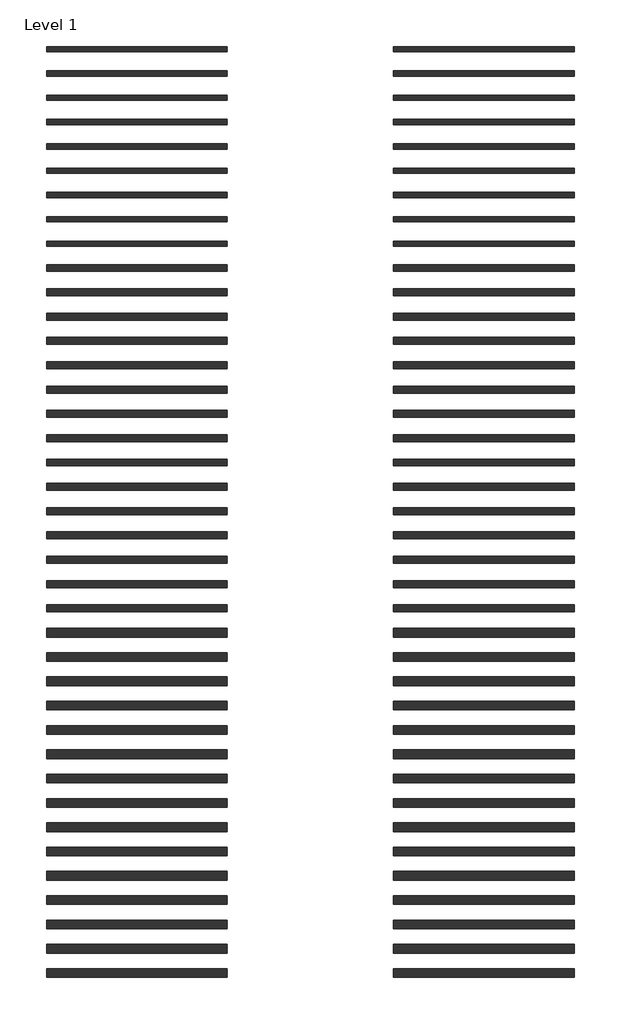
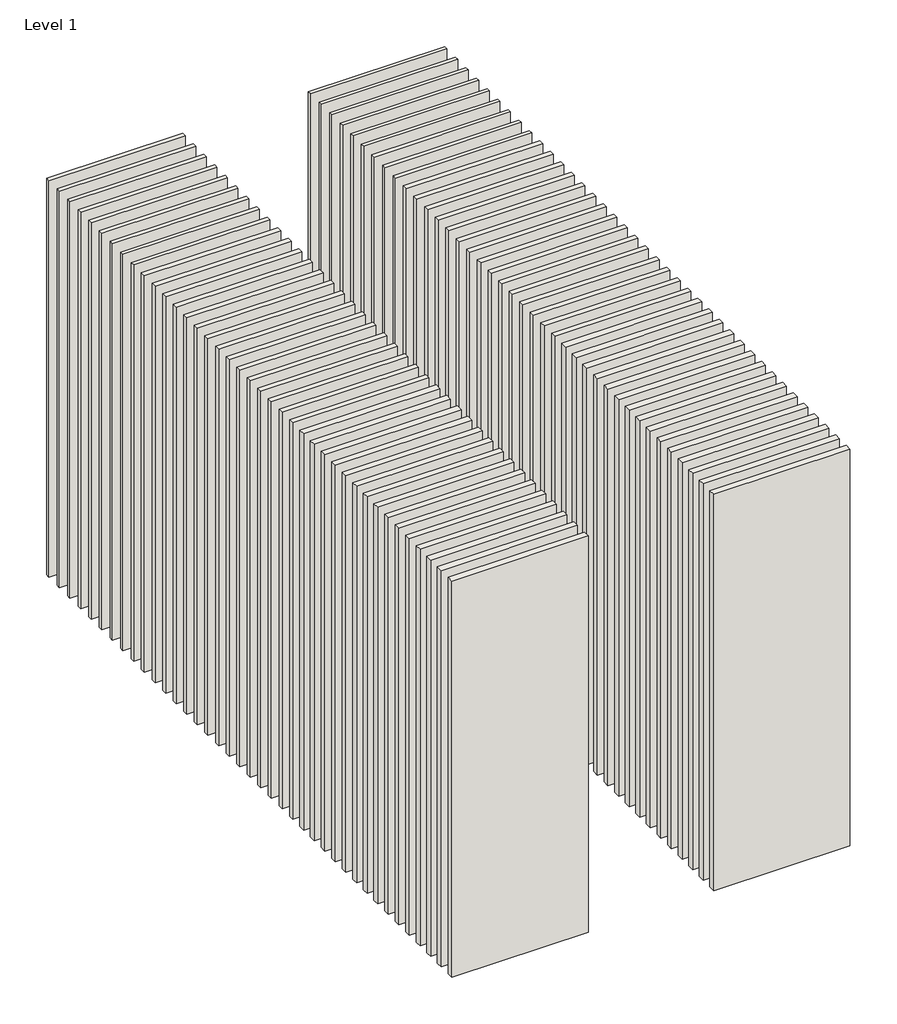
# One storey: 78 walls.
"""IFC4 building model written with IfcOpenShell, lengths in millimetres."""

from ifc_helpers import new_model, si_unit, origin, origin_with_axes, place, context, project, spatial, polyline, outline, extrude, element, save

model = new_model("IFC4")

# Units and contexts
model_context = context("Model", 3, world=origin())
ifc_project = project(units=[si_unit("LENGTHUNIT", "METRE", prefix="MILLI")], contexts=[model_context])

# Site, building, storey
site = spatial("IfcSite", under=ifc_project)
building = spatial("IfcBuilding", under=site)
storey = spatial("IfcBuildingStorey", under=building, Name="Level 1", Elevation=0.0)

# Walls
placement = place(None, origin())
element("IfcWall", 1, at=placement, inside=storey, context=model_context, shape_type="SweptSolid", body=[
    extrude(outline(polyline([(-16904.1464237, 3700.0198817), (-19504.1464237, 3700.0198817), (-19504.1464237, 3775.0198817), (-16904.1464237, 3775.0198817), (-16904.1464237, 3700.0198817)])), origin_with_axes(), (0.0, 0.0, 1.0), 8000.0),
])
element("IfcWall", 2, at=placement, inside=storey, context=model_context, shape_type="SweptSolid", body=[
    extrude(outline(polyline([(-16904.1464237, 3350.0198817), (-19504.1464237, 3350.0198817), (-19504.1464237, 3425.0198817), (-16904.1464237, 3425.0198817), (-16904.1464237, 3350.0198817)])), origin_with_axes(), (0.0, 0.0, 1.0), 8000.0),
])
element("IfcWall", 3, at=placement, inside=storey, context=model_context, shape_type="SweptSolid", body=[
    extrude(outline(polyline([(-16904.1464237, 3000.0198817), (-19504.1464237, 3000.0198817), (-19504.1464237, 3075.0198817), (-16904.1464237, 3075.0198817), (-16904.1464237, 3000.0198817)])), origin_with_axes(), (0.0, 0.0, 1.0), 8000.0),
])
element("IfcWall", 4, at=placement, inside=storey, context=model_context, shape_type="SweptSolid", body=[
    extrude(outline(polyline([(-16904.1464237, 2650.0198817), (-19504.1464237, 2650.0198817), (-19504.1464237, 2725.0198817), (-16904.1464237, 2725.0198817), (-16904.1464237, 2650.0198817)])), origin_with_axes(), (0.0, 0.0, 1.0), 8000.0),
])
element("IfcWall", 5, at=placement, inside=storey, context=model_context, shape_type="SweptSolid", body=[
    extrude(outline(polyline([(-16904.1464237, 2300.0198817), (-19504.1464237, 2300.0198817), (-19504.1464237, 2375.0198817), (-16904.1464237, 2375.0198817), (-16904.1464237, 2300.0198817)])), origin_with_axes(), (0.0, 0.0, 1.0), 8000.0),
])
element("IfcWall", 6, at=placement, inside=storey, context=model_context, shape_type="SweptSolid", body=[
    extrude(outline(polyline([(-16904.1464237, 1950.0198817), (-19504.1464237, 1950.0198817), (-19504.1464237, 2025.0198817), (-16904.1464237, 2025.0198817), (-16904.1464237, 1950.0198817)])), origin_with_axes(), (0.0, 0.0, 1.0), 8000.0),
])
element("IfcWall", 7, at=placement, inside=storey, context=model_context, shape_type="SweptSolid", body=[
    extrude(outline(polyline([(-16904.1464237, 1600.0198817), (-19504.1464237, 1600.0198817), (-19504.1464237, 1675.0198817), (-16904.1464237, 1675.0198817), (-16904.1464237, 1600.0198817)])), origin_with_axes(), (0.0, 0.0, 1.0), 8000.0),
])
element("IfcWall", 8, at=placement, inside=storey, context=model_context, shape_type="SweptSolid", body=[
    extrude(outline(polyline([(-16904.1464237, 1250.0198817), (-19504.1464237, 1250.0198817), (-19504.1464237, 1325.0198817), (-16904.1464237, 1325.0198817), (-16904.1464237, 1250.0198817)])), origin_with_axes(), (0.0, 0.0, 1.0), 8000.0),
])
element("IfcWall", 9, at=placement, inside=storey, context=model_context, shape_type="SweptSolid", body=[
    extrude(outline(polyline([(-16904.1464237, 900.0198817), (-19504.1464237, 900.0198817), (-19504.1464237, 975.0198817), (-16904.1464237, 975.0198817), (-16904.1464237, 900.0198817)])), origin_with_axes(), (0.0, 0.0, 1.0), 8000.0),
])
element("IfcWall", 10, at=placement, inside=storey, context=model_context, shape_type="SweptSolid", body=[
    extrude(outline(polyline([(-16904.1464237, 537.5198817), (-19504.1464237, 537.5198817), (-19504.1464237, 637.5198817), (-16904.1464237, 637.5198817), (-16904.1464237, 537.5198817)])), origin_with_axes(), (0.0, 0.0, 1.0), 8000.0),
])
element("IfcWall", 11, at=placement, inside=storey, context=model_context, shape_type="SweptSolid", body=[
    extrude(outline(polyline([(-16904.1464237, 187.5198817), (-19504.1464237, 187.5198817), (-19504.1464237, 287.5198817), (-16904.1464237, 287.5198817), (-16904.1464237, 187.5198817)])), origin_with_axes(), (0.0, 0.0, 1.0), 8000.0),
])
element("IfcWall", 12, at=placement, inside=storey, context=model_context, shape_type="SweptSolid", body=[
    extrude(outline(polyline([(-16904.1464237, -162.4801183), (-19504.1464237, -162.4801183), (-19504.1464237, -62.4801183), (-16904.1464237, -62.4801183), (-16904.1464237, -162.4801183)])), origin_with_axes(), (0.0, 0.0, 1.0), 8000.0),
])
element("IfcWall", 13, at=placement, inside=storey, context=model_context, shape_type="SweptSolid", body=[
    extrude(outline(polyline([(-16904.1464237, -512.4801183), (-19504.1464237, -512.4801183), (-19504.1464237, -412.4801183), (-16904.1464237, -412.4801183), (-16904.1464237, -512.4801183)])), origin_with_axes(), (0.0, 0.0, 1.0), 8000.0),
])
element("IfcWall", 14, at=placement, inside=storey, context=model_context, shape_type="SweptSolid", body=[
    extrude(outline(polyline([(-16904.1464237, -862.4801183), (-19504.1464237, -862.4801183), (-19504.1464237, -762.4801183), (-16904.1464237, -762.4801183), (-16904.1464237, -862.4801183)])), origin_with_axes(), (0.0, 0.0, 1.0), 8000.0),
])
element("IfcWall", 15, at=placement, inside=storey, context=model_context, shape_type="SweptSolid", body=[
    extrude(outline(polyline([(-16904.1464237, -1212.4801183), (-19504.1464237, -1212.4801183), (-19504.1464237, -1112.4801183), (-16904.1464237, -1112.4801183), (-16904.1464237, -1212.4801183)])), origin_with_axes(), (0.0, 0.0, 1.0), 8000.0),
])
element("IfcWall", 16, at=placement, inside=storey, context=model_context, shape_type="SweptSolid", body=[
    extrude(outline(polyline([(-16904.1464237, -1562.4801183), (-19504.1464237, -1562.4801183), (-19504.1464237, -1462.4801183), (-16904.1464237, -1462.4801183), (-16904.1464237, -1562.4801183)])), origin_with_axes(), (0.0, 0.0, 1.0), 8000.0),
])
element("IfcWall", 17, at=placement, inside=storey, context=model_context, shape_type="SweptSolid", body=[
    extrude(outline(polyline([(-16904.1464237, -1912.4801183), (-19504.1464237, -1912.4801183), (-19504.1464237, -1812.4801183), (-16904.1464237, -1812.4801183), (-16904.1464237, -1912.4801183)])), origin_with_axes(), (0.0, 0.0, 1.0), 8000.0),
])
element("IfcWall", 18, at=placement, inside=storey, context=model_context, shape_type="SweptSolid", body=[
    extrude(outline(polyline([(-16904.1464237, -2262.4801183), (-19504.1464237, -2262.4801183), (-19504.1464237, -2162.4801183), (-16904.1464237, -2162.4801183), (-16904.1464237, -2262.4801183)])), origin_with_axes(), (0.0, 0.0, 1.0), 8000.0),
])
element("IfcWall", 19, at=placement, inside=storey, context=model_context, shape_type="SweptSolid", body=[
    extrude(outline(polyline([(-16904.1464237, -2612.4801183), (-19504.1464237, -2612.4801183), (-19504.1464237, -2512.4801183), (-16904.1464237, -2512.4801183), (-16904.1464237, -2612.4801183)])), origin_with_axes(), (0.0, 0.0, 1.0), 8000.0),
])
element("IfcWall", 20, at=placement, inside=storey, context=model_context, shape_type="SweptSolid", body=[
    extrude(outline(polyline([(-16904.1464237, -2962.4801183), (-19504.1464237, -2962.4801183), (-19504.1464237, -2862.4801183), (-16904.1464237, -2862.4801183), (-16904.1464237, -2962.4801183)])), origin_with_axes(), (0.0, 0.0, 1.0), 8000.0),
])
element("IfcWall", 21, at=placement, inside=storey, context=model_context, shape_type="SweptSolid", body=[
    extrude(outline(polyline([(-16904.1464237, -3312.4801183), (-19504.1464237, -3312.4801183), (-19504.1464237, -3212.4801183), (-16904.1464237, -3212.4801183), (-16904.1464237, -3312.4801183)])), origin_with_axes(), (0.0, 0.0, 1.0), 8000.0),
])
element("IfcWall", 22, at=placement, inside=storey, context=model_context, shape_type="SweptSolid", body=[
    extrude(outline(polyline([(-16904.1464237, -3662.4801183), (-19504.1464237, -3662.4801183), (-19504.1464237, -3562.4801183), (-16904.1464237, -3562.4801183), (-16904.1464237, -3662.4801183)])), origin_with_axes(), (0.0, 0.0, 1.0), 8000.0),
])
element("IfcWall", 23, at=placement, inside=storey, context=model_context, shape_type="SweptSolid", body=[
    extrude(outline(polyline([(-16904.1464237, -4012.4801183), (-19504.1464237, -4012.4801183), (-19504.1464237, -3912.4801183), (-16904.1464237, -3912.4801183), (-16904.1464237, -4012.4801183)])), origin_with_axes(), (0.0, 0.0, 1.0), 8000.0),
])
element("IfcWall", 24, at=placement, inside=storey, context=model_context, shape_type="SweptSolid", body=[
    extrude(outline(polyline([(-16904.1464237, -4362.4801183), (-19504.1464237, -4362.4801183), (-19504.1464237, -4262.4801183), (-16904.1464237, -4262.4801183), (-16904.1464237, -4362.4801183)])), origin_with_axes(), (0.0, 0.0, 1.0), 8000.0),
])
element("IfcWall", 25, at=placement, inside=storey, context=model_context, shape_type="SweptSolid", body=[
    extrude(outline(polyline([(-16904.1464237, -4724.9801183), (-19504.1464237, -4724.9801183), (-19504.1464237, -4599.9801183), (-16904.1464237, -4599.9801183), (-16904.1464237, -4724.9801183)])), origin_with_axes(), (0.0, 0.0, 1.0), 8000.0),
])
element("IfcWall", 26, at=placement, inside=storey, context=model_context, shape_type="SweptSolid", body=[
    extrude(outline(polyline([(-16904.1464237, -5074.9801183), (-19504.1464237, -5074.9801183), (-19504.1464237, -4949.9801183), (-16904.1464237, -4949.9801183), (-16904.1464237, -5074.9801183)])), origin_with_axes(), (0.0, 0.0, 1.0), 8000.0),
])
element("IfcWall", 27, at=placement, inside=storey, context=model_context, shape_type="SweptSolid", body=[
    extrude(outline(polyline([(-16904.1464237, -5424.9801183), (-19504.1464237, -5424.9801183), (-19504.1464237, -5299.9801183), (-16904.1464237, -5299.9801183), (-16904.1464237, -5424.9801183)])), origin_with_axes(), (0.0, 0.0, 1.0), 8000.0),
])
element("IfcWall", 28, at=placement, inside=storey, context=model_context, shape_type="SweptSolid", body=[
    extrude(outline(polyline([(-16904.1464237, -5774.9801183), (-19504.1464237, -5774.9801183), (-19504.1464237, -5649.9801183), (-16904.1464237, -5649.9801183), (-16904.1464237, -5774.9801183)])), origin_with_axes(), (0.0, 0.0, 1.0), 8000.0),
])
element("IfcWall", 29, at=placement, inside=storey, context=model_context, shape_type="SweptSolid", body=[
    extrude(outline(polyline([(-16904.1464237, -6124.9801183), (-19504.1464237, -6124.9801183), (-19504.1464237, -5999.9801183), (-16904.1464237, -5999.9801183), (-16904.1464237, -6124.9801183)])), origin_with_axes(), (0.0, 0.0, 1.0), 8000.0),
])
element("IfcWall", 30, at=placement, inside=storey, context=model_context, shape_type="SweptSolid", body=[
    extrude(outline(polyline([(-16904.1464237, -6474.9801183), (-19504.1464237, -6474.9801183), (-19504.1464237, -6349.9801183), (-16904.1464237, -6349.9801183), (-16904.1464237, -6474.9801183)])), origin_with_axes(), (0.0, 0.0, 1.0), 8000.0),
])
element("IfcWall", 31, at=placement, inside=storey, context=model_context, shape_type="SweptSolid", body=[
    extrude(outline(polyline([(-16904.1464237, -6824.9801183), (-19504.1464237, -6824.9801183), (-19504.1464237, -6699.9801183), (-16904.1464237, -6699.9801183), (-16904.1464237, -6824.9801183)])), origin_with_axes(), (0.0, 0.0, 1.0), 8000.0),
])
element("IfcWall", 32, at=placement, inside=storey, context=model_context, shape_type="SweptSolid", body=[
    extrude(outline(polyline([(-16904.1464237, -7174.9801183), (-19504.1464237, -7174.9801183), (-19504.1464237, -7049.9801183), (-16904.1464237, -7049.9801183), (-16904.1464237, -7174.9801183)])), origin_with_axes(), (0.0, 0.0, 1.0), 8000.0),
])
element("IfcWall", 33, at=placement, inside=storey, context=model_context, shape_type="SweptSolid", body=[
    extrude(outline(polyline([(-16904.1464237, -7524.9801183), (-19504.1464237, -7524.9801183), (-19504.1464237, -7399.9801183), (-16904.1464237, -7399.9801183), (-16904.1464237, -7524.9801183)])), origin_with_axes(), (0.0, 0.0, 1.0), 8000.0),
])
element("IfcWall", 34, at=placement, inside=storey, context=model_context, shape_type="SweptSolid", body=[
    extrude(outline(polyline([(-16904.1464237, -7874.9801183), (-19504.1464237, -7874.9801183), (-19504.1464237, -7749.9801183), (-16904.1464237, -7749.9801183), (-16904.1464237, -7874.9801183)])), origin_with_axes(), (0.0, 0.0, 1.0), 8000.0),
])
element("IfcWall", 35, at=placement, inside=storey, context=model_context, shape_type="SweptSolid", body=[
    extrude(outline(polyline([(-16904.1464237, -8224.9801183), (-19504.1464237, -8224.9801183), (-19504.1464237, -8099.9801183), (-16904.1464237, -8099.9801183), (-16904.1464237, -8224.9801183)])), origin_with_axes(), (0.0, 0.0, 1.0), 8000.0),
])
element("IfcWall", 36, at=placement, inside=storey, context=model_context, shape_type="SweptSolid", body=[
    extrude(outline(polyline([(-16904.1464237, -8574.9801183), (-19504.1464237, -8574.9801183), (-19504.1464237, -8449.9801183), (-16904.1464237, -8449.9801183), (-16904.1464237, -8574.9801183)])), origin_with_axes(), (0.0, 0.0, 1.0), 8000.0),
])
element("IfcWall", 37, at=placement, inside=storey, context=model_context, shape_type="SweptSolid", body=[
    extrude(outline(polyline([(-16904.1464237, -8924.9801183), (-19504.1464237, -8924.9801183), (-19504.1464237, -8799.9801183), (-16904.1464237, -8799.9801183), (-16904.1464237, -8924.9801183)])), origin_with_axes(), (0.0, 0.0, 1.0), 8000.0),
])
element("IfcWall", 38, at=placement, inside=storey, context=model_context, shape_type="SweptSolid", body=[
    extrude(outline(polyline([(-16904.1464237, -9274.9801183), (-19504.1464237, -9274.9801183), (-19504.1464237, -9149.9801183), (-16904.1464237, -9149.9801183), (-16904.1464237, -9274.9801183)])), origin_with_axes(), (0.0, 0.0, 1.0), 8000.0),
])
element("IfcWall", 39, at=placement, inside=storey, context=model_context, shape_type="SweptSolid", body=[
    extrude(outline(polyline([(-16904.1464237, -9624.9801183), (-19504.1464237, -9624.9801183), (-19504.1464237, -9499.9801183), (-16904.1464237, -9499.9801183), (-16904.1464237, -9624.9801183)])), origin_with_axes(), (0.0, 0.0, 1.0), 8000.0),
])
element("IfcWall", 40, at=placement, inside=storey, context=model_context, shape_type="SweptSolid", body=[
    extrude(outline(polyline([(-11904.1464237, 3700.0198817), (-14504.1464237, 3700.0198817), (-14504.1464237, 3775.0198817), (-11904.1464237, 3775.0198817), (-11904.1464237, 3700.0198817)])), origin_with_axes(), (0.0, 0.0, 1.0), 8000.0),
])
element("IfcWall", 41, at=placement, inside=storey, context=model_context, shape_type="SweptSolid", body=[
    extrude(outline(polyline([(-11904.1464237, 3350.0198817), (-14504.1464237, 3350.0198817), (-14504.1464237, 3425.0198817), (-11904.1464237, 3425.0198817), (-11904.1464237, 3350.0198817)])), origin_with_axes(), (0.0, 0.0, 1.0), 8000.0),
])
element("IfcWall", 42, at=placement, inside=storey, context=model_context, shape_type="SweptSolid", body=[
    extrude(outline(polyline([(-11904.1464237, 3000.0198817), (-14504.1464237, 3000.0198817), (-14504.1464237, 3075.0198817), (-11904.1464237, 3075.0198817), (-11904.1464237, 3000.0198817)])), origin_with_axes(), (0.0, 0.0, 1.0), 8000.0),
])
element("IfcWall", 43, at=placement, inside=storey, context=model_context, shape_type="SweptSolid", body=[
    extrude(outline(polyline([(-11904.1464237, 2650.0198817), (-14504.1464237, 2650.0198817), (-14504.1464237, 2725.0198817), (-11904.1464237, 2725.0198817), (-11904.1464237, 2650.0198817)])), origin_with_axes(), (0.0, 0.0, 1.0), 8000.0),
])
element("IfcWall", 44, at=placement, inside=storey, context=model_context, shape_type="SweptSolid", body=[
    extrude(outline(polyline([(-11904.1464237, 2300.0198817), (-14504.1464237, 2300.0198817), (-14504.1464237, 2375.0198817), (-11904.1464237, 2375.0198817), (-11904.1464237, 2300.0198817)])), origin_with_axes(), (0.0, 0.0, 1.0), 8000.0),
])
element("IfcWall", 45, at=placement, inside=storey, context=model_context, shape_type="SweptSolid", body=[
    extrude(outline(polyline([(-11904.1464237, 1950.0198817), (-14504.1464237, 1950.0198817), (-14504.1464237, 2025.0198817), (-11904.1464237, 2025.0198817), (-11904.1464237, 1950.0198817)])), origin_with_axes(), (0.0, 0.0, 1.0), 8000.0),
])
element("IfcWall", 46, at=placement, inside=storey, context=model_context, shape_type="SweptSolid", body=[
    extrude(outline(polyline([(-11904.1464237, 1600.0198817), (-14504.1464237, 1600.0198817), (-14504.1464237, 1675.0198817), (-11904.1464237, 1675.0198817), (-11904.1464237, 1600.0198817)])), origin_with_axes(), (0.0, 0.0, 1.0), 8000.0),
])
element("IfcWall", 47, at=placement, inside=storey, context=model_context, shape_type="SweptSolid", body=[
    extrude(outline(polyline([(-11904.1464237, 1250.0198817), (-14504.1464237, 1250.0198817), (-14504.1464237, 1325.0198817), (-11904.1464237, 1325.0198817), (-11904.1464237, 1250.0198817)])), origin_with_axes(), (0.0, 0.0, 1.0), 8000.0),
])
element("IfcWall", 48, at=placement, inside=storey, context=model_context, shape_type="SweptSolid", body=[
    extrude(outline(polyline([(-11904.1464237, 900.0198817), (-14504.1464237, 900.0198817), (-14504.1464237, 975.0198817), (-11904.1464237, 975.0198817), (-11904.1464237, 900.0198817)])), origin_with_axes(), (0.0, 0.0, 1.0), 8000.0),
])
element("IfcWall", 49, at=placement, inside=storey, context=model_context, shape_type="SweptSolid", body=[
    extrude(outline(polyline([(-11904.1464237, 537.5198817), (-14504.1464237, 537.5198817), (-14504.1464237, 637.5198817), (-11904.1464237, 637.5198817), (-11904.1464237, 537.5198817)])), origin_with_axes(), (0.0, 0.0, 1.0), 8000.0),
])
element("IfcWall", 50, at=placement, inside=storey, context=model_context, shape_type="SweptSolid", body=[
    extrude(outline(polyline([(-11904.1464237, 187.5198817), (-14504.1464237, 187.5198817), (-14504.1464237, 287.5198817), (-11904.1464237, 287.5198817), (-11904.1464237, 187.5198817)])), origin_with_axes(), (0.0, 0.0, 1.0), 8000.0),
])
element("IfcWall", 51, at=placement, inside=storey, context=model_context, shape_type="SweptSolid", body=[
    extrude(outline(polyline([(-11904.1464237, -162.4801183), (-14504.1464237, -162.4801183), (-14504.1464237, -62.4801183), (-11904.1464237, -62.4801183), (-11904.1464237, -162.4801183)])), origin_with_axes(), (0.0, 0.0, 1.0), 8000.0),
])
element("IfcWall", 52, at=placement, inside=storey, context=model_context, shape_type="SweptSolid", body=[
    extrude(outline(polyline([(-11904.1464237, -512.4801183), (-14504.1464237, -512.4801183), (-14504.1464237, -412.4801183), (-11904.1464237, -412.4801183), (-11904.1464237, -512.4801183)])), origin_with_axes(), (0.0, 0.0, 1.0), 8000.0),
])
element("IfcWall", 53, at=placement, inside=storey, context=model_context, shape_type="SweptSolid", body=[
    extrude(outline(polyline([(-11904.1464237, -862.4801183), (-14504.1464237, -862.4801183), (-14504.1464237, -762.4801183), (-11904.1464237, -762.4801183), (-11904.1464237, -862.4801183)])), origin_with_axes(), (0.0, 0.0, 1.0), 8000.0),
])
element("IfcWall", 54, at=placement, inside=storey, context=model_context, shape_type="SweptSolid", body=[
    extrude(outline(polyline([(-11904.1464237, -1212.4801183), (-14504.1464237, -1212.4801183), (-14504.1464237, -1112.4801183), (-11904.1464237, -1112.4801183), (-11904.1464237, -1212.4801183)])), origin_with_axes(), (0.0, 0.0, 1.0), 8000.0),
])
element("IfcWall", 55, at=placement, inside=storey, context=model_context, shape_type="SweptSolid", body=[
    extrude(outline(polyline([(-11904.1464237, -1562.4801183), (-14504.1464237, -1562.4801183), (-14504.1464237, -1462.4801183), (-11904.1464237, -1462.4801183), (-11904.1464237, -1562.4801183)])), origin_with_axes(), (0.0, 0.0, 1.0), 8000.0),
])
element("IfcWall", 56, at=placement, inside=storey, context=model_context, shape_type="SweptSolid", body=[
    extrude(outline(polyline([(-11904.1464237, -1912.4801183), (-14504.1464237, -1912.4801183), (-14504.1464237, -1812.4801183), (-11904.1464237, -1812.4801183), (-11904.1464237, -1912.4801183)])), origin_with_axes(), (0.0, 0.0, 1.0), 8000.0),
])
element("IfcWall", 57, at=placement, inside=storey, context=model_context, shape_type="SweptSolid", body=[
    extrude(outline(polyline([(-11904.1464237, -2262.4801183), (-14504.1464237, -2262.4801183), (-14504.1464237, -2162.4801183), (-11904.1464237, -2162.4801183), (-11904.1464237, -2262.4801183)])), origin_with_axes(), (0.0, 0.0, 1.0), 8000.0),
])
element("IfcWall", 58, at=placement, inside=storey, context=model_context, shape_type="SweptSolid", body=[
    extrude(outline(polyline([(-11904.1464237, -2612.4801183), (-14504.1464237, -2612.4801183), (-14504.1464237, -2512.4801183), (-11904.1464237, -2512.4801183), (-11904.1464237, -2612.4801183)])), origin_with_axes(), (0.0, 0.0, 1.0), 8000.0),
])
element("IfcWall", 59, at=placement, inside=storey, context=model_context, shape_type="SweptSolid", body=[
    extrude(outline(polyline([(-11904.1464237, -2962.4801183), (-14504.1464237, -2962.4801183), (-14504.1464237, -2862.4801183), (-11904.1464237, -2862.4801183), (-11904.1464237, -2962.4801183)])), origin_with_axes(), (0.0, 0.0, 1.0), 8000.0),
])
element("IfcWall", 60, at=placement, inside=storey, context=model_context, shape_type="SweptSolid", body=[
    extrude(outline(polyline([(-11904.1464237, -3312.4801183), (-14504.1464237, -3312.4801183), (-14504.1464237, -3212.4801183), (-11904.1464237, -3212.4801183), (-11904.1464237, -3312.4801183)])), origin_with_axes(), (0.0, 0.0, 1.0), 8000.0),
])
element("IfcWall", 61, at=placement, inside=storey, context=model_context, shape_type="SweptSolid", body=[
    extrude(outline(polyline([(-11904.1464237, -3662.4801183), (-14504.1464237, -3662.4801183), (-14504.1464237, -3562.4801183), (-11904.1464237, -3562.4801183), (-11904.1464237, -3662.4801183)])), origin_with_axes(), (0.0, 0.0, 1.0), 8000.0),
])
element("IfcWall", 62, at=placement, inside=storey, context=model_context, shape_type="SweptSolid", body=[
    extrude(outline(polyline([(-11904.1464237, -4012.4801183), (-14504.1464237, -4012.4801183), (-14504.1464237, -3912.4801183), (-11904.1464237, -3912.4801183), (-11904.1464237, -4012.4801183)])), origin_with_axes(), (0.0, 0.0, 1.0), 8000.0),
])
element("IfcWall", 63, at=placement, inside=storey, context=model_context, shape_type="SweptSolid", body=[
    extrude(outline(polyline([(-11904.1464237, -4362.4801183), (-14504.1464237, -4362.4801183), (-14504.1464237, -4262.4801183), (-11904.1464237, -4262.4801183), (-11904.1464237, -4362.4801183)])), origin_with_axes(), (0.0, 0.0, 1.0), 8000.0),
])
element("IfcWall", 64, at=placement, inside=storey, context=model_context, shape_type="SweptSolid", body=[
    extrude(outline(polyline([(-11904.1464237, -4724.9801183), (-14504.1464237, -4724.9801183), (-14504.1464237, -4599.9801183), (-11904.1464237, -4599.9801183), (-11904.1464237, -4724.9801183)])), origin_with_axes(), (0.0, 0.0, 1.0), 8000.0),
])
element("IfcWall", 65, at=placement, inside=storey, context=model_context, shape_type="SweptSolid", body=[
    extrude(outline(polyline([(-11904.1464237, -5074.9801183), (-14504.1464237, -5074.9801183), (-14504.1464237, -4949.9801183), (-11904.1464237, -4949.9801183), (-11904.1464237, -5074.9801183)])), origin_with_axes(), (0.0, 0.0, 1.0), 8000.0),
])
element("IfcWall", 66, at=placement, inside=storey, context=model_context, shape_type="SweptSolid", body=[
    extrude(outline(polyline([(-11904.1464237, -5424.9801183), (-14504.1464237, -5424.9801183), (-14504.1464237, -5299.9801183), (-11904.1464237, -5299.9801183), (-11904.1464237, -5424.9801183)])), origin_with_axes(), (0.0, 0.0, 1.0), 8000.0),
])
element("IfcWall", 67, at=placement, inside=storey, context=model_context, shape_type="SweptSolid", body=[
    extrude(outline(polyline([(-11904.1464237, -5774.9801183), (-14504.1464237, -5774.9801183), (-14504.1464237, -5649.9801183), (-11904.1464237, -5649.9801183), (-11904.1464237, -5774.9801183)])), origin_with_axes(), (0.0, 0.0, 1.0), 8000.0),
])
element("IfcWall", 68, at=placement, inside=storey, context=model_context, shape_type="SweptSolid", body=[
    extrude(outline(polyline([(-11904.1464237, -6124.9801183), (-14504.1464237, -6124.9801183), (-14504.1464237, -5999.9801183), (-11904.1464237, -5999.9801183), (-11904.1464237, -6124.9801183)])), origin_with_axes(), (0.0, 0.0, 1.0), 8000.0),
])
element("IfcWall", 69, at=placement, inside=storey, context=model_context, shape_type="SweptSolid", body=[
    extrude(outline(polyline([(-11904.1464237, -6474.9801183), (-14504.1464237, -6474.9801183), (-14504.1464237, -6349.9801183), (-11904.1464237, -6349.9801183), (-11904.1464237, -6474.9801183)])), origin_with_axes(), (0.0, 0.0, 1.0), 8000.0),
])
element("IfcWall", 70, at=placement, inside=storey, context=model_context, shape_type="SweptSolid", body=[
    extrude(outline(polyline([(-11904.1464237, -6824.9801183), (-14504.1464237, -6824.9801183), (-14504.1464237, -6699.9801183), (-11904.1464237, -6699.9801183), (-11904.1464237, -6824.9801183)])), origin_with_axes(), (0.0, 0.0, 1.0), 8000.0),
])
element("IfcWall", 71, at=placement, inside=storey, context=model_context, shape_type="SweptSolid", body=[
    extrude(outline(polyline([(-11904.1464237, -7174.9801183), (-14504.1464237, -7174.9801183), (-14504.1464237, -7049.9801183), (-11904.1464237, -7049.9801183), (-11904.1464237, -7174.9801183)])), origin_with_axes(), (0.0, 0.0, 1.0), 8000.0),
])
element("IfcWall", 72, at=placement, inside=storey, context=model_context, shape_type="SweptSolid", body=[
    extrude(outline(polyline([(-11904.1464237, -7524.9801183), (-14504.1464237, -7524.9801183), (-14504.1464237, -7399.9801183), (-11904.1464237, -7399.9801183), (-11904.1464237, -7524.9801183)])), origin_with_axes(), (0.0, 0.0, 1.0), 8000.0),
])
element("IfcWall", 73, at=placement, inside=storey, context=model_context, shape_type="SweptSolid", body=[
    extrude(outline(polyline([(-11904.1464237, -7874.9801183), (-14504.1464237, -7874.9801183), (-14504.1464237, -7749.9801183), (-11904.1464237, -7749.9801183), (-11904.1464237, -7874.9801183)])), origin_with_axes(), (0.0, 0.0, 1.0), 8000.0),
])
element("IfcWall", 74, at=placement, inside=storey, context=model_context, shape_type="SweptSolid", body=[
    extrude(outline(polyline([(-11904.1464237, -8224.9801183), (-14504.1464237, -8224.9801183), (-14504.1464237, -8099.9801183), (-11904.1464237, -8099.9801183), (-11904.1464237, -8224.9801183)])), origin_with_axes(), (0.0, 0.0, 1.0), 8000.0),
])
element("IfcWall", 75, at=placement, inside=storey, context=model_context, shape_type="SweptSolid", body=[
    extrude(outline(polyline([(-11904.1464237, -8574.9801183), (-14504.1464237, -8574.9801183), (-14504.1464237, -8449.9801183), (-11904.1464237, -8449.9801183), (-11904.1464237, -8574.9801183)])), origin_with_axes(), (0.0, 0.0, 1.0), 8000.0),
])
element("IfcWall", 76, at=placement, inside=storey, context=model_context, shape_type="SweptSolid", body=[
    extrude(outline(polyline([(-11904.1464237, -8924.9801183), (-14504.1464237, -8924.9801183), (-14504.1464237, -8799.9801183), (-11904.1464237, -8799.9801183), (-11904.1464237, -8924.9801183)])), origin_with_axes(), (0.0, 0.0, 1.0), 8000.0),
])
element("IfcWall", 77, at=placement, inside=storey, context=model_context, shape_type="SweptSolid", body=[
    extrude(outline(polyline([(-11904.1464237, -9274.9801183), (-14504.1464237, -9274.9801183), (-14504.1464237, -9149.9801183), (-11904.1464237, -9149.9801183), (-11904.1464237, -9274.9801183)])), origin_with_axes(), (0.0, 0.0, 1.0), 8000.0),
])
element("IfcWall", 78, at=placement, inside=storey, context=model_context, shape_type="SweptSolid", body=[
    extrude(outline(polyline([(-11904.1464237, -9624.9801183), (-14504.1464237, -9624.9801183), (-14504.1464237, -9499.9801183), (-11904.1464237, -9499.9801183), (-11904.1464237, -9624.9801183)])), origin_with_axes(), (0.0, 0.0, 1.0), 8000.0),
])

save(model, "model.ifc")
